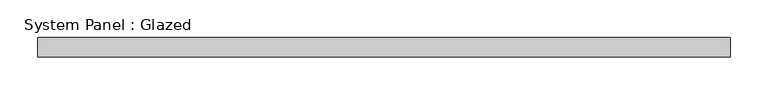
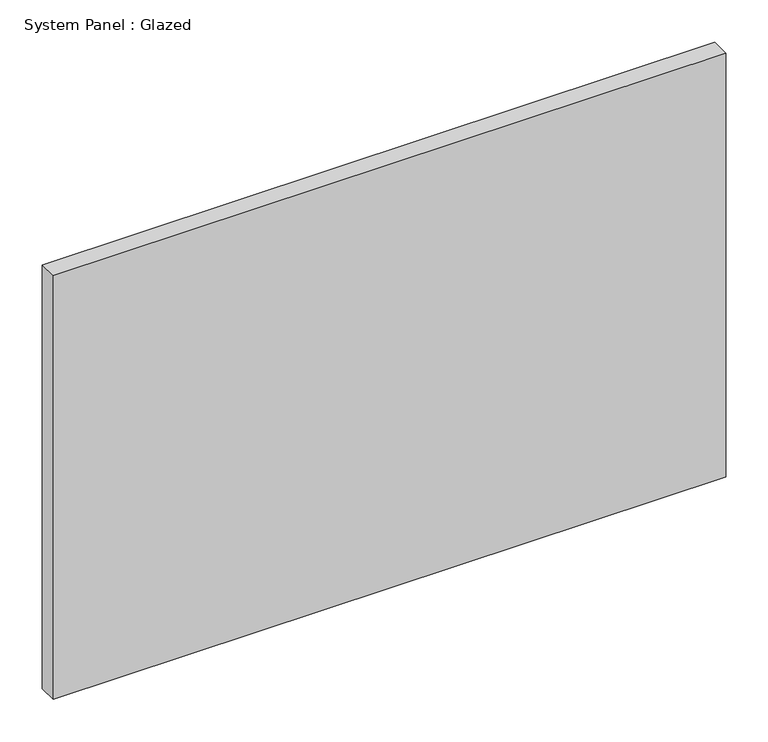
"""IFC4 building model written with IfcOpenShell, lengths in millimetres: plate geometry, System Panel : Glazed."""

from ifc_helpers import new_model, si_unit, origin, origin_with_axes, place, context, project, spatial, polyline, outline, extrude, source, transform, mapped, element, save


def system_panel_glazed_82e05715(model_context):
    return source(origin(), model_context, "Body", "SweptSolid", [
        extrude(outline(polyline([(457.2, 19.05), (-457.2, 19.05), (-457.2, 44.45), (457.2, 44.45), (457.2, 19.05)])), origin_with_axes(), (0.0, 0.0, 1.0), 609.6),
    ])


if __name__ == "__main__":
    model = new_model("IFC4")
    model_context = context("Model", 3, world=origin())
    ifc_project = project(units=[si_unit("LENGTHUNIT", "METRE", prefix="MILLI")], contexts=[model_context])
    site = spatial("IfcSite", under=ifc_project)
    building = spatial("IfcBuilding", under=site)
    placement = place(None, origin())
    system_panel_glazed_shape = system_panel_glazed_82e05715(model_context)
    element("IfcPlate", 1, ObjectType="System Panel : Glazed", at=placement, inside=building, context=model_context, shape_type="MappedRepresentation", body=[
        mapped(system_panel_glazed_shape, transform((0.0, 0.0, 0.0), x_axis=(1.0, 0.0, 0.0), y_axis=(0.0, 1.0, 0.0), z_axis=(0.0, 0.0, 1.0))),
    ])
    save(model, "model.ifc")
